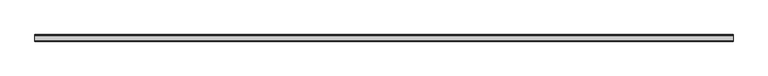
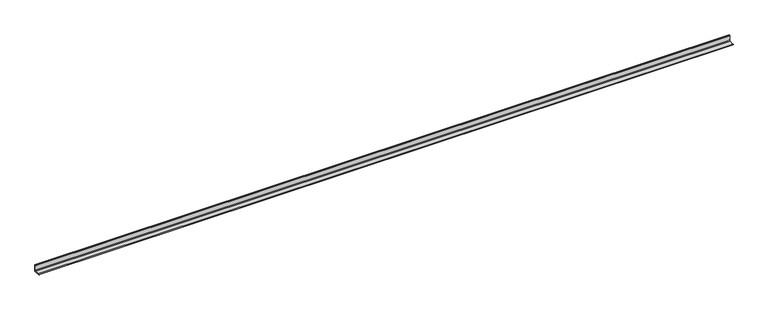
"""IFC4 building model written with IfcOpenShell, lengths in millimetres: beam geometry."""

import ifcopenshell
import ifcopenshell.guid

model = None  # the IFC model being written
_history = None  # IfcOwnerHistory: only IFC2X3 demands one
_inside = {}  # id of a spatial element -> (the spatial element, [elements in it])
_under = {}  # id of a project, library or spatial element -> (it, [spatial elements below it])
_declared = {}  # id of a project -> (the project, [libraries it declares])
_typed = {}  # id of a type object -> (the type object, [elements of that type])
_made_of = {}  # id of a material, layer set ... -> (it, [elements and type objects made of it])


def new_model(schema):
    """Start an empty IFC model of exactly this schema.

    Asked for "IFC4X3", IfcOpenShell would pick the latest addendum, in which some entities
    have other attributes; the version numbers below select the first issue.
    IFC2X3 requires an IfcOwnerHistory on every rooted entity: one is made here for all.
    """
    global model, _history
    if schema == "IFC4X3":
        model = ifcopenshell.file(schema_version=(4, 3, 0, 0))
    else:
        model = ifcopenshell.file(schema=schema)
    _inside.clear()
    _under.clear()
    _declared.clear()
    _typed.clear()
    _made_of.clear()
    _history = None
    if model.schema == "IFC2X3":
        org = make("IfcOrganization", Name="unknown")
        user = make(
            "IfcPersonAndOrganization",
            ThePerson=make("IfcPerson", FamilyName="unknown"),
            TheOrganization=org,
        )
        app = make(
            "IfcApplication",
            ApplicationDeveloper=org,
            Version="unknown",
            ApplicationFullName="unknown",
            ApplicationIdentifier="unknown",
        )
        _history = make(
            "IfcOwnerHistory",
            OwningUser=user,
            OwningApplication=app,
            ChangeAction="ADDED",
            CreationDate=0,
        )
    return model


def make(cls, **values):
    """One entity of the class cls with the attributes given. An attribute that is None is left unset."""
    return model.create_entity(
        cls, **{name: value for name, value in values.items() if value is not None}
    )


def rooted(cls, **values):
    """An entity with a GlobalId (a new one), such as an element, a storey or a relation."""
    return make(cls, GlobalId=ifcopenshell.guid.new(), OwnerHistory=_history, **values)


def si_unit(unit_type, name, prefix=None):
    """IfcSIUnit, for example si_unit("LENGTHUNIT", "METRE", prefix="MILLI")."""
    return make("IfcSIUnit", UnitType=unit_type, Prefix=prefix, Name=name)


def assignment(units):
    """IfcUnitAssignment: the units of a project."""
    return None if units is None else make("IfcUnitAssignment", Units=units)


def point(xyz):
    """IfcCartesianPoint."""
    return None if xyz is None else make("IfcCartesianPoint", Coordinates=xyz)


def direction(xyz):
    """IfcDirection."""
    return None if xyz is None else make("IfcDirection", DirectionRatios=xyz)


def frame(location, z_axis=None, x_axis=None):
    """IfcAxis2Placement3D, a coordinate frame: its origin and axes. An axis left out is left unset."""
    return make(
        "IfcAxis2Placement3D",
        Location=point(location),
        Axis=direction(z_axis),
        RefDirection=direction(x_axis),
    )


def frame_2d(location, x_axis=None):
    """IfcAxis2Placement2D, a coordinate frame in the plane: its origin and x axis."""
    return make(
        "IfcAxis2Placement2D", Location=point(location), RefDirection=direction(x_axis)
    )


def origin():
    """The frame at (0, 0, 0) with its axes left unset."""
    return frame((0.0, 0.0, 0.0))


def place(relative_to, where):
    """IfcLocalPlacement: puts the frame where relative to a parent placement (None: the world)."""
    return make(
        "IfcLocalPlacement", PlacementRelTo=relative_to, RelativePlacement=where
    )


def context(
    kind, dimensions, precision=None, world=None, true_north=None, identifier=None
):
    """IfcGeometricRepresentationContext, for example the 3D "Model" context."""
    return make(
        "IfcGeometricRepresentationContext",
        ContextIdentifier=identifier,
        ContextType=kind,
        CoordinateSpaceDimension=dimensions,
        Precision=precision,
        WorldCoordinateSystem=world,
        TrueNorth=true_north,
    )


def project(units=None, contexts=None):
    """IfcProject with its units and contexts."""
    return rooted(
        "IfcProject",
        Name="project",
        RepresentationContexts=contexts,
        UnitsInContext=assignment(units),
    )


def spatial(cls, under=None, at=None, **own):
    """A site, building, storey or space (cls), placed at a placement, below another one or the project."""
    s = rooted(cls, ObjectPlacement=at, **own)
    if under is not None:
        _under.setdefault(under.id(), (under, []))[1].append(s)
    return s


def polyline(points):
    """IfcPolyline through the points."""
    return make("IfcPolyline", Points=[point(p) for p in points])


def circle_curve(where, radius):
    """IfcCircle in the frame where."""
    return make("IfcCircle", Position=where, Radius=radius)


def trimmed(basis, trim1, trim2, sense, master):
    """IfcTrimmedCurve: the piece of a basis curve between two trims."""
    return make(
        "IfcTrimmedCurve",
        BasisCurve=basis,
        Trim1=trim1,
        Trim2=trim2,
        SenseAgreement=sense,
        MasterRepresentation=master,
    )


def segment(curve, same_sense, transition):
    """IfcCompositeCurveSegment."""
    return make(
        "IfcCompositeCurveSegment",
        Transition=transition,
        SameSense=same_sense,
        ParentCurve=curve,
    )


def composite_curve(segments, self_intersect=None):
    """IfcCompositeCurve: segments joined end to end."""
    return make("IfcCompositeCurve", Segments=segments, SelfIntersect=self_intersect)


def outline(outer, holes=None, kind="AREA"):
    """IfcArbitraryClosedProfileDef: a profile drawn as a closed curve; with holes, ...WithVoids."""
    if holes is None:
        return make("IfcArbitraryClosedProfileDef", ProfileType=kind, OuterCurve=outer)
    return make(
        "IfcArbitraryProfileDefWithVoids",
        ProfileType=kind,
        OuterCurve=outer,
        InnerCurves=holes,
    )


def extrude(swept, where, along, depth):
    """IfcExtrudedAreaSolid: the profile swept, set in the frame where, extruded along a direction by depth."""
    return make(
        "IfcExtrudedAreaSolid",
        SweptArea=swept,
        Position=where,
        ExtrudedDirection=direction(along),
        Depth=depth,
    )


def shape(context_of_items, identifier, shape_type, items):
    """IfcShapeRepresentation: the items that make up one representation, for example the "Body"."""
    return make(
        "IfcShapeRepresentation",
        ContextOfItems=context_of_items,
        RepresentationIdentifier=identifier,
        RepresentationType=shape_type,
        Items=items,
    )


def source(mapping_origin, context_of_items, identifier, shape_type, items):
    """IfcRepresentationMap: a shape defined once, which mapped items show again and again."""
    return make(
        "IfcRepresentationMap",
        MappingOrigin=mapping_origin,
        MappedRepresentation=shape(context_of_items, identifier, shape_type, items),
    )


def transform(
    local_origin,
    x_axis=None,
    y_axis=None,
    z_axis=None,
    scale=None,
    scale2=None,
    scale3=None,
    uniform=True,
):
    """IfcCartesianTransformationOperator3D, or its non-uniform kind. x_axis, y_axis, z_axis: its Axis1, 2, 3."""
    if uniform:
        return make(
            "IfcCartesianTransformationOperator3D",
            Axis1=direction(x_axis),
            Axis2=direction(y_axis),
            LocalOrigin=point(local_origin),
            Scale=scale,
            Axis3=direction(z_axis),
        )
    return make(
        "IfcCartesianTransformationOperator3DnonUniform",
        Axis1=direction(x_axis),
        Axis2=direction(y_axis),
        LocalOrigin=point(local_origin),
        Scale=scale,
        Axis3=direction(z_axis),
        Scale2=scale2,
        Scale3=scale3,
    )


def mapped(mapping_source, mapping_target):
    """IfcMappedItem: shows the shape of a source again, moved by a transform."""
    return make(
        "IfcMappedItem", MappingSource=mapping_source, MappingTarget=mapping_target
    )


def made_of(thing, what):
    """Note that an element or type object is made of a material, layer set ...; save() writes the relation."""
    if what is not None:
        _made_of.setdefault(what.id(), (what, []))[1].append(thing)
    return thing


def element(
    cls,
    number,
    at=None,
    inside=None,
    cuts=None,
    type_object=None,
    material=None,
    context=None,
    identifier="Body",
    shape_type=None,
    held_by="IfcProductDefinitionShape",
    body=None,
    shapes=None,
    **own,
):
    """One element of the class cls, such as IfcWall. Its Tag is "e" and its number.

    at: its placement. inside: the storey or other place that contains it. cuts: it is an
    opening in that element (IfcRelVoidsElement). A single representation is given by context,
    identifier, shape_type and body (its items); several are given by shapes. held_by: the class
    of the entity that holds the representations. save() writes the other relations.
    """
    e = rooted(cls, Tag="e%d" % number, ObjectPlacement=at, **own)
    if body is not None:
        shapes = [shape(context, identifier, shape_type, body)]
    if shapes is not None:
        e.Representation = make(held_by, Representations=shapes)
    if inside is not None:
        _inside.setdefault(inside.id(), (inside, []))[1].append(e)
    if cuts is not None:
        rooted(
            "IfcRelVoidsElement", RelatingBuildingElement=cuts, RelatedOpeningElement=e
        )
    if type_object is not None:
        _typed.setdefault(type_object.id(), (type_object, []))[1].append(e)
    return made_of(e, material)


def aggregate(whole, parts):
    """IfcRelAggregates: a whole, such as a stair, and the parts it consists of."""
    return rooted("IfcRelAggregates", RelatingObject=whole, RelatedObjects=parts)


def save(model, path):
    """Write the relations noted so far, then the file.

    IfcRelAggregates (storeys below a building ...), IfcRelContainedInSpatialStructure (elements
    in a storey), IfcRelDefinesByType, IfcRelAssociatesMaterial and IfcRelDeclares: one each for
    every whole, place, type object, material and project.
    """
    for whole, parts in _under.values():
        aggregate(whole, parts)
    for where, things in _inside.values():
        rooted(
            "IfcRelContainedInSpatialStructure",
            RelatedElements=things,
            RelatingStructure=where,
        )
    for kind, things in _typed.values():
        rooted("IfcRelDefinesByType", RelatedObjects=things, RelatingType=kind)
    for what, things in _made_of.values():
        rooted("IfcRelAssociatesMaterial", RelatedObjects=things, RelatingMaterial=what)
    for by, libraries in _declared.values():
        rooted("IfcRelDeclares", RelatingContext=by, RelatedDefinitions=libraries)
    model.write(path)


def beam_1199a422(model_context):
    return source(origin(), model_context, "Body", "SweptSolid", [
        extrude(outline(composite_curve([segment(polyline([(21.3, -21.3), (-53.7, -21.3), (-53.7, -18.3)]), True, "CONTINUOUS"), segment(trimmed(circle_curve(frame_2d((-48.7, -18.3)), 5.0), [point((-53.7, -18.3))], [point((-48.7, -13.3))], False, "CARTESIAN"), True, "CONTINUOUS"), segment(polyline([(-48.7, -13.3), (5.3, -13.3)]), True, "CONTINUOUS"), segment(trimmed(circle_curve(frame_2d((5.3, -5.3)), 8.0), [point((5.3, -13.3))], [point((13.3, -5.3))], True, "CARTESIAN"), True, "CONTINUOUS"), segment(polyline([(13.3, -5.3), (13.3, 48.7)]), True, "CONTINUOUS"), segment(trimmed(circle_curve(frame_2d((18.3, 48.7)), 5.0), [point((13.3, 48.7))], [point((18.3, 53.7))], False, "CARTESIAN"), True, "CONTINUOUS"), segment(polyline([(18.3, 53.7), (21.3, 53.7), (21.3, -21.3)]), True, "CONTINUOUS")], self_intersect=False)), frame((-3917.0, 0.0, 0.0), z_axis=(1.0, 0.0, 0.0), x_axis=(0.0, 1.0, 0.0)), (0.0, 0.0, 1.0), 7889.0),
    ])


if __name__ == "__main__":
    model = new_model("IFC4")
    model_context = context("Model", 3, world=origin())
    ifc_project = project(units=[si_unit("LENGTHUNIT", "METRE", prefix="MILLI")], contexts=[model_context])
    site = spatial("IfcSite", under=ifc_project)
    building = spatial("IfcBuilding", under=site)
    placement = place(None, origin())
    beam_shape = beam_1199a422(model_context)
    element("IfcBeam", 1, at=placement, inside=building, context=model_context, shape_type="MappedRepresentation", body=[
        mapped(beam_shape, transform((0.0, 0.0, 0.0), x_axis=(1.0, 0.0, 0.0), y_axis=(0.0, 1.0, 0.0), z_axis=(0.0, 0.0, 1.0))),
    ])
    save(model, "model.ifc")
